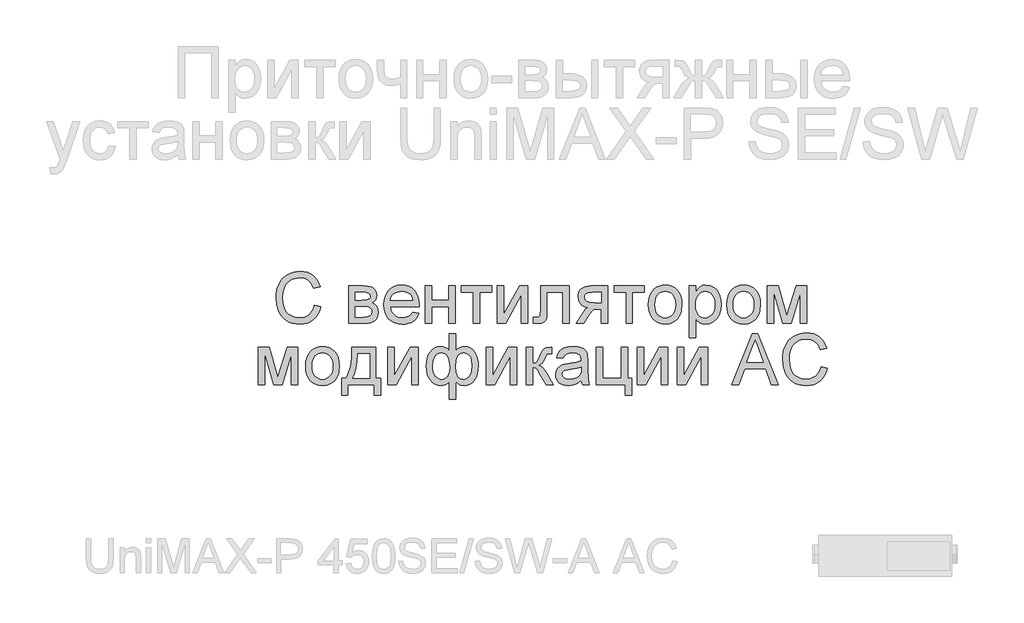
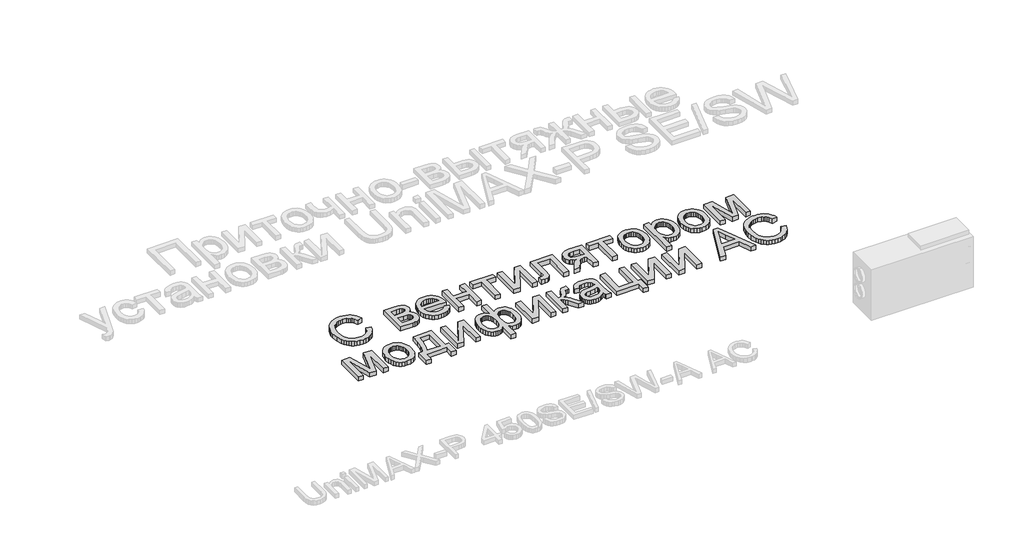
# One storey, part 25 of 74: 1 proxy.
"""IFC4 building model written with IfcOpenShell, lengths in millimetres."""

import ifcopenshell
import ifcopenshell.guid

model = None  # the IFC model being written
_history = None  # IfcOwnerHistory: only IFC2X3 demands one
_inside = {}  # id of a spatial element -> (the spatial element, [elements in it])
_under = {}  # id of a project, library or spatial element -> (it, [spatial elements below it])
_declared = {}  # id of a project -> (the project, [libraries it declares])
_typed = {}  # id of a type object -> (the type object, [elements of that type])
_made_of = {}  # id of a material, layer set ... -> (it, [elements and type objects made of it])


def new_model(schema):
    """Start an empty IFC model of exactly this schema.

    Asked for "IFC4X3", IfcOpenShell would pick the latest addendum, in which some entities
    have other attributes; the version numbers below select the first issue.
    IFC2X3 requires an IfcOwnerHistory on every rooted entity: one is made here for all.
    """
    global model, _history
    if schema == "IFC4X3":
        model = ifcopenshell.file(schema_version=(4, 3, 0, 0))
    else:
        model = ifcopenshell.file(schema=schema)
    _inside.clear()
    _under.clear()
    _declared.clear()
    _typed.clear()
    _made_of.clear()
    _history = None
    if model.schema == "IFC2X3":
        org = make("IfcOrganization", Name="unknown")
        user = make(
            "IfcPersonAndOrganization",
            ThePerson=make("IfcPerson", FamilyName="unknown"),
            TheOrganization=org,
        )
        app = make(
            "IfcApplication",
            ApplicationDeveloper=org,
            Version="unknown",
            ApplicationFullName="unknown",
            ApplicationIdentifier="unknown",
        )
        _history = make(
            "IfcOwnerHistory",
            OwningUser=user,
            OwningApplication=app,
            ChangeAction="ADDED",
            CreationDate=0,
        )
    return model


def make(cls, **values):
    """One entity of the class cls with the attributes given. An attribute that is None is left unset."""
    return model.create_entity(
        cls, **{name: value for name, value in values.items() if value is not None}
    )


def rooted(cls, **values):
    """An entity with a GlobalId (a new one), such as an element, a storey or a relation."""
    return make(cls, GlobalId=ifcopenshell.guid.new(), OwnerHistory=_history, **values)


def si_unit(unit_type, name, prefix=None):
    """IfcSIUnit, for example si_unit("LENGTHUNIT", "METRE", prefix="MILLI")."""
    return make("IfcSIUnit", UnitType=unit_type, Prefix=prefix, Name=name)


def assignment(units):
    """IfcUnitAssignment: the units of a project."""
    return None if units is None else make("IfcUnitAssignment", Units=units)


def point(xyz):
    """IfcCartesianPoint."""
    return None if xyz is None else make("IfcCartesianPoint", Coordinates=xyz)


def direction(xyz):
    """IfcDirection."""
    return None if xyz is None else make("IfcDirection", DirectionRatios=xyz)


def frame(location, z_axis=None, x_axis=None):
    """IfcAxis2Placement3D, a coordinate frame: its origin and axes. An axis left out is left unset."""
    return make(
        "IfcAxis2Placement3D",
        Location=point(location),
        Axis=direction(z_axis),
        RefDirection=direction(x_axis),
    )


def origin():
    """The frame at (0, 0, 0) with its axes left unset."""
    return frame((0.0, 0.0, 0.0))


def origin_with_axes():
    """The frame at (0, 0, 0) with the z axis (0, 0, 1) and the x axis (1, 0, 0) written out."""
    return frame((0.0, 0.0, 0.0), z_axis=(0.0, 0.0, 1.0), x_axis=(1.0, 0.0, 0.0))


def place(relative_to, where):
    """IfcLocalPlacement: puts the frame where relative to a parent placement (None: the world)."""
    return make(
        "IfcLocalPlacement", PlacementRelTo=relative_to, RelativePlacement=where
    )


def context(
    kind, dimensions, precision=None, world=None, true_north=None, identifier=None
):
    """IfcGeometricRepresentationContext, for example the 3D "Model" context."""
    return make(
        "IfcGeometricRepresentationContext",
        ContextIdentifier=identifier,
        ContextType=kind,
        CoordinateSpaceDimension=dimensions,
        Precision=precision,
        WorldCoordinateSystem=world,
        TrueNorth=true_north,
    )


def project(units=None, contexts=None):
    """IfcProject with its units and contexts."""
    return rooted(
        "IfcProject",
        Name="project",
        RepresentationContexts=contexts,
        UnitsInContext=assignment(units),
    )


def spatial(cls, under=None, at=None, **own):
    """A site, building, storey or space (cls), placed at a placement, below another one or the project."""
    s = rooted(cls, ObjectPlacement=at, **own)
    if under is not None:
        _under.setdefault(under.id(), (under, []))[1].append(s)
    return s


def polyline(points):
    """IfcPolyline through the points."""
    return make("IfcPolyline", Points=[point(p) for p in points])


def outline(outer, holes=None, kind="AREA"):
    """IfcArbitraryClosedProfileDef: a profile drawn as a closed curve; with holes, ...WithVoids."""
    if holes is None:
        return make("IfcArbitraryClosedProfileDef", ProfileType=kind, OuterCurve=outer)
    return make(
        "IfcArbitraryProfileDefWithVoids",
        ProfileType=kind,
        OuterCurve=outer,
        InnerCurves=holes,
    )


def extrude(swept, where, along, depth):
    """IfcExtrudedAreaSolid: the profile swept, set in the frame where, extruded along a direction by depth."""
    return make(
        "IfcExtrudedAreaSolid",
        SweptArea=swept,
        Position=where,
        ExtrudedDirection=direction(along),
        Depth=depth,
    )


def shape(context_of_items, identifier, shape_type, items):
    """IfcShapeRepresentation: the items that make up one representation, for example the "Body"."""
    return make(
        "IfcShapeRepresentation",
        ContextOfItems=context_of_items,
        RepresentationIdentifier=identifier,
        RepresentationType=shape_type,
        Items=items,
    )


def made_of(thing, what):
    """Note that an element or type object is made of a material, layer set ...; save() writes the relation."""
    if what is not None:
        _made_of.setdefault(what.id(), (what, []))[1].append(thing)
    return thing


def element(
    cls,
    number,
    at=None,
    inside=None,
    cuts=None,
    type_object=None,
    material=None,
    context=None,
    identifier="Body",
    shape_type=None,
    held_by="IfcProductDefinitionShape",
    body=None,
    shapes=None,
    **own,
):
    """One element of the class cls, such as IfcWall. Its Tag is "e" and its number.

    at: its placement. inside: the storey or other place that contains it. cuts: it is an
    opening in that element (IfcRelVoidsElement). A single representation is given by context,
    identifier, shape_type and body (its items); several are given by shapes. held_by: the class
    of the entity that holds the representations. save() writes the other relations.
    """
    e = rooted(cls, Tag="e%d" % number, ObjectPlacement=at, **own)
    if body is not None:
        shapes = [shape(context, identifier, shape_type, body)]
    if shapes is not None:
        e.Representation = make(held_by, Representations=shapes)
    if inside is not None:
        _inside.setdefault(inside.id(), (inside, []))[1].append(e)
    if cuts is not None:
        rooted(
            "IfcRelVoidsElement", RelatingBuildingElement=cuts, RelatedOpeningElement=e
        )
    if type_object is not None:
        _typed.setdefault(type_object.id(), (type_object, []))[1].append(e)
    return made_of(e, material)


def aggregate(whole, parts):
    """IfcRelAggregates: a whole, such as a stair, and the parts it consists of."""
    return rooted("IfcRelAggregates", RelatingObject=whole, RelatedObjects=parts)


def save(model, path):
    """Write the relations noted so far, then the file.

    IfcRelAggregates (storeys below a building ...), IfcRelContainedInSpatialStructure (elements
    in a storey), IfcRelDefinesByType, IfcRelAssociatesMaterial and IfcRelDeclares: one each for
    every whole, place, type object, material and project.
    """
    for whole, parts in _under.values():
        aggregate(whole, parts)
    for where, things in _inside.values():
        rooted(
            "IfcRelContainedInSpatialStructure",
            RelatedElements=things,
            RelatingStructure=where,
        )
    for kind, things in _typed.values():
        rooted("IfcRelDefinesByType", RelatedObjects=things, RelatingType=kind)
    for what, things in _made_of.values():
        rooted("IfcRelAssociatesMaterial", RelatedObjects=things, RelatingMaterial=what)
    for by, libraries in _declared.values():
        rooted("IfcRelDeclares", RelatingContext=by, RelatedDefinitions=libraries)
    model.write(path)


model = new_model("IFC4")

# Units and contexts
model_context = context("Model", 3, world=origin())
ifc_project = project(units=[si_unit("LENGTHUNIT", "METRE", prefix="MILLI")], contexts=[model_context])

# Site, building, storey
site = spatial("IfcSite", under=ifc_project)
building = spatial("IfcBuilding", under=site)
storey = spatial("IfcBuildingStorey", under=building, Elevation=0.0)

# Proxy
placement = place(None, origin())
element("IfcBuildingElementProxy", 1, Name="Generic Models", at=placement, inside=storey, context=model_context, shape_type="SweptSolid", body=[
    extrude(outline(polyline([(24942.8608053, -25678.9298031), (24999.0678231, -25693.4206749), (24987.9458046, -25728.3751002), (24973.132456, -25758.9177687), (24954.6277774, -25785.0486803), (24932.4317688, -25806.7678349), (24907.0452983, -25823.8419516), (24878.9692342, -25836.0377492), (24848.2035765, -25843.3552278), (24814.7483252, -25845.7943874), (24780.4731594, -25843.9487223), (24749.5531245, -25838.4117273), (24721.9882204, -25829.1834022), (24697.7784472, -25816.2637471), (24676.5910362, -25799.8448758), (24658.0932188, -25780.1189021), (24642.284995, -25757.0858261), (24629.1663648, -25730.7456477), (24611.5056148, -25672.699826), (24605.6186982, -25610.5372794), (24607.2825412, -25576.6360495), (24612.2740702, -25544.9715735), (24620.5932852, -25515.5438514), (24632.2401861, -25488.3528832), (24646.9540472, -25463.848078), (24664.4741424, -25442.4788449), (24684.8004718, -25424.2451841), (24707.9330354, -25409.1470953), (24733.0862248, -25397.3080805), (24759.4744316, -25388.8516414), (24787.097656, -25383.7777779), (24815.9558978, -25382.0864901), (24848.104089, -25384.2752155), (24877.5832702, -25390.8413918), (24904.3934413, -25401.7850189), (24928.5346025, -25417.1060969), (24949.6088036, -25436.3998145), (24967.2180945, -25459.2613603), (24981.3624753, -25485.6907344), (24992.0419459, -25515.6879368), (24935.8349281, -25529.0810153), (24916.3490967, -25488.0921573), (24903.9303098, -25472.4245883), (24889.7276087, -25459.9749259), (24873.658659, -25450.4893056), (24855.6411262, -25443.7138624), (24813.7603112, -25438.2935079), (24788.5453709, -25439.7961125), (24765.48485, -25444.3039263), (24744.5787485, -25451.8169494), (24725.8270664, -25462.3351816), (24709.4665154, -25475.3851996), (24695.7338071, -25490.4935802), (24684.6289416, -25507.6603232), (24676.1519188, -25526.8854286), (24665.4072667, -25568.0252332), (24661.825716, -25610.4275001), (24666.0659427, -25662.353124), (24678.7866228, -25707.2528707), (24688.447204, -25726.6392146), (24700.4680408, -25743.4114381), (24714.8491333, -25757.5695413), (24731.5904814, -25769.1135241), (24768.9017317, -25784.4689082), (24809.1495792, -25789.5873695), (24833.5857724, -25787.8446226), (24856.0665211, -25782.6163819), (24876.5918256, -25773.9026475), (24895.1616857, -25761.7034192), (24911.3369841, -25746.0735869), (24924.6786035, -25727.0680401), (24935.1865439, -25704.6867788), (24942.8608053, -25678.9298031)])), origin_with_axes(), (0.0, 0.0, 1.0), 50.0),
    extrude(outline(polyline([(25244.9735263, -25508.5522802), (25368.8046125, -25508.5522802), (25408.6133426, -25510.4322513), (25436.7031291, -25516.0721645), (25457.3690883, -25526.7207596), (25474.9063366, -25543.6267767), (25486.8860062, -25565.6512552), (25490.8792294, -25591.6552344), (25488.4640841, -25612.6093643), (25481.2186482, -25630.6817868), (25469.1154768, -25645.9548363), (25452.1271252, -25658.5108474), (25472.9303086, -25670.1886238), (25489.8912154, -25688.974612), (25501.1710417, -25713.3867909), (25504.9309838, -25741.9431395), (25501.8091341, -25764.9487707), (25495.4076268, -25784.7845237), (25485.726462, -25801.4503985), (25472.7656396, -25814.9463951), (25456.5045761, -25825.3685704), (25436.9226878, -25832.8129814), (25414.0199747, -25837.2796279), (25387.7964368, -25838.7685101), (25244.9735263, -25838.7685101), (25244.9735263, -25508.5522802)]), holes=[polyline([(25301.1805441, -25635.0180704), (25356.728886, -25635.0180704), (25402.561757, -25632.1638078), (25424.8469613, -25620.7467573), (25432.215899, -25611.3057348), (25434.6722115, -25600.1082429), (25430.3633727, -25583.33945), (25417.4368564, -25572.5536306), (25394.0813036, -25566.7078812), (25358.4853553, -25564.7592981), (25301.1805441, -25564.7592981), (25301.1805441, -25635.0180704)]), polyline([(25301.1805441, -25782.5614923), (25370.1219644, -25782.5614923), (25407.6939407, -25780.0228452), (25431.2690522, -25772.4069041), (25443.9211202, -25758.5609859), (25448.723966, -25737.3324076), (25446.3225431, -25723.2669307), (25439.1182744, -25710.2718023), (25428.0580068, -25700.1034917), (25414.0885868, -25694.5184682), (25364.6329978, -25691.2250883), (25301.1805441, -25691.2250883), (25301.1805441, -25782.5614923)])]), origin_with_axes(), (0.0, 0.0, 1.0), 50.0),
    extrude(outline(polyline([(25806.3850288, -25740.4062289), (25861.4942533, -25747.4321061), (25853.0446754, -25769.504613), (25841.6379167, -25788.9561383), (25827.2739772, -25805.7866821), (25809.9528571, -25819.9962444), (25789.8529475, -25831.2829319), (25767.1526401, -25839.3448516), (25741.8519347, -25844.1820034), (25713.9508315, -25845.7943874), (25679.07531, -25843.0121674), (25648.0008979, -25834.6655076), (25620.7275952, -25820.7544079), (25597.2554018, -25801.2788683), (25578.380218, -25776.7809243), (25564.8979438, -25747.8026114), (25556.8085793, -25714.3439294), (25554.1121244, -25676.4048785), (25556.8360241, -25637.179351), (25565.0077231, -25602.6057227), (25578.6272215, -25572.6839936), (25597.6945191, -25547.4141637), (25621.1049616, -25527.3382684), (25647.7538944, -25512.9983432), (25677.6413175, -25504.394388), (25710.7672308, -25501.526403), (25742.8262263, -25504.3875268), (25771.8182617, -25512.9708983), (25797.743337, -25527.2765175), (25820.6014522, -25547.3043843), (25839.260508, -25572.5193246), (25852.588405, -25602.386164), (25860.5851432, -25636.9049027), (25863.2507226, -25676.0755405), (25862.9213846, -25691.2250883), (25610.3191423, -25691.2250883), (25613.5747856, -25713.654378), (25620.0483356, -25733.2980171), (25629.7397922, -25750.1560058), (25642.6491555, -25764.2283439), (25658.0628598, -25775.3229176), (25675.2673394, -25783.2476131), (25694.2625944, -25788.0024304), (25715.0486248, -25789.5873695), (25744.9634927, -25786.6507724), (25770.1578493, -25777.840981), (25790.6316947, -25762.6090987), (25806.3850288, -25740.4062289)]), holes=[polyline([(25610.3191423, -25635.0180704), (25807.0437048, -25635.0180704), (25799.441486, -25605.3227612), (25784.5389418, -25584.0804605), (25769.2110026, -25572.5536306), (25751.7698112, -25564.3201808), (25732.2153678, -25559.3801108), (25710.5476722, -25557.7334209), (25672.6600803, -25562.9891064), (25641.3318035, -25578.7561629), (25628.87528, -25590.1560604), (25619.5543286, -25603.3330108), (25613.3689493, -25618.2870141), (25610.3191423, -25635.0180704)])]), origin_with_axes(), (0.0, 0.0, 1.0), 50.0),
    extrude(outline(polyline([(25919.4577405, -25508.5522802), (25975.6647583, -25508.5522802), (25975.6647583, -25635.0180704), (26123.2081802, -25635.0180704), (26123.2081802, -25508.5522802), (26179.415198, -25508.5522802), (26179.415198, -25838.7685101), (26123.2081802, -25838.7685101), (26123.2081802, -25691.2250883), (25975.6647583, -25691.2250883), (25975.6647583, -25838.7685101), (25919.4577405, -25838.7685101), (25919.4577405, -25508.5522802)])), origin_with_axes(), (0.0, 0.0, 1.0), 50.0),
    extrude(outline(polyline([(26235.6222159, -25508.5522802), (26502.6055507, -25508.5522802), (26502.6055507, -25564.7592981), (26397.2173922, -25564.7592981), (26397.2173922, -25838.7685101), (26341.0103744, -25838.7685101), (26341.0103744, -25564.7592981), (26235.6222159, -25564.7592981), (26235.6222159, -25508.5522802)])), origin_with_axes(), (0.0, 0.0, 1.0), 50.0),
    extrude(outline(polyline([(26551.7866913, -25508.5522802), (26607.9937092, -25508.5522802), (26607.9937092, -25760.3860673), (26746.0961085, -25508.5522802), (26818.7700261, -25508.5522802), (26818.7700261, -25838.7685101), (26762.5630083, -25838.7685101), (26762.5630083, -25588.4716337), (26625.3388436, -25838.7685101), (26551.7866913, -25838.7685101), (26551.7866913, -25508.5522802)])), origin_with_axes(), (0.0, 0.0, 1.0), 50.0),
    extrude(outline(polyline([(26931.1840618, -25508.5522802), (27184.1156422, -25508.5522802), (27184.1156422, -25838.4391721), (27127.9086243, -25838.4391721), (27127.9086243, -25564.7592981), (26987.3910797, -25564.7592981), (26987.3910797, -25722.2926391), (26983.6036927, -25794.9665568), (26976.5092034, -25811.4197341), (26962.8005094, -25825.64988), (26941.997326, -25835.4888526), (26913.6193687, -25838.7685101), (26867.9511667, -25835.9142475), (26867.9511667, -25782.5614923), (26893.0906337, -25782.5614923), (26918.504549, -25779.1034433), (26924.8580278, -25774.6299356), (26928.6591372, -25768.1255101), (26931.1840618, -25719.1090385), (26931.1840618, -25508.5522802)])), origin_with_axes(), (0.0, 0.0, 1.0), 50.0),
    extrude(outline(polyline([(27521.3577493, -25508.5522802), (27521.3577493, -25838.7685101), (27465.1507314, -25838.7685101), (27465.1507314, -25712.30272), (27434.5222979, -25712.30272), (27410.0963965, -25714.0866341), (27392.8061518, -25719.4383765), (27376.1471382, -25734.9995968), (27353.6149304, -25767.4119445), (27308.824963, -25838.7685101), (27243.8355986, -25838.7685101), (27300.2621751, -25748.5298994), (27325.1820834, -25716.1449966), (27336.9010271, -25706.703974), (27348.1259638, -25701.7639041), (27327.4874494, -25697.2012006), (27309.7031977, -25689.9900708), (27294.7732085, -25680.1305145), (27282.6974821, -25667.6225319), (27266.7245893, -25637.872333), (27261.4002917, -25603.9505195), (27263.2185119, -25583.7099552), (27268.6731724, -25565.4728637), (27277.7642733, -25549.2392451), (27290.4918146, -25535.0090992), (27306.6636824, -25523.4342409), (27326.0877629, -25515.166485), (27348.7640561, -25510.2058314), (27374.6925621, -25508.5522802), (27521.3577493, -25508.5522802)]), holes=[polyline([(27465.1507314, -25564.7592981), (27391.0496825, -25564.7592981), (27352.777863, -25568.0115108), (27339.847916, -25572.0767767), (27331.0552777, -25577.7681489), (27320.9693016, -25591.8885154), (27317.6073095, -25608.2319135), (27322.5611019, -25629.6526056), (27337.4224789, -25644.5139826), (27364.8810343, -25653.2002722), (27407.6263616, -25656.0957021), (27465.1507314, -25656.0957021), (27465.1507314, -25564.7592981)])]), origin_with_axes(), (0.0, 0.0, 1.0), 50.0),
    extrude(outline(polyline([(27577.5647671, -25508.5522802), (27844.5481019, -25508.5522802), (27844.5481019, -25564.7592981), (27739.1599434, -25564.7592981), (27739.1599434, -25838.7685101), (27682.9529256, -25838.7685101), (27682.9529256, -25564.7592981), (27577.5647671, -25564.7592981), (27577.5647671, -25508.5522802)])), origin_with_axes(), (0.0, 0.0, 1.0), 50.0),
    extrude(outline(polyline([(27879.6774881, -25673.6603952), (27882.7170033, -25630.8944843), (27891.8355491, -25594.0429348), (27907.0331253, -25563.1057469), (27928.309732, -25538.0829205), (27949.7304241, -25522.0894441), (27973.3741477, -25510.6655324), (27999.2409028, -25503.8111853), (28027.3306893, -25501.526403), (28058.3399199, -25504.3086229), (28086.3782473, -25512.6552828), (28111.4456716, -25526.5663825), (28133.5421927, -25546.041922), (28151.5768786, -25570.4232255), (28164.458797, -25599.0516168), (28172.1879481, -25631.9270961), (28174.7643318, -25669.0496632), (28170.2084895, -25725.8330226), (28164.5136867, -25749.140547), (28156.5409627, -25769.0586345), (28134.1597015, -25801.4298149), (28103.4626558, -25825.64988), (28067.0021953, -25840.7582605), (28027.3306893, -25845.7943874), (27995.8686189, -25843.0224592), (27967.5695655, -25834.7066748), (27942.4335292, -25820.8470342), (27920.4605098, -25801.4435373), (27902.6179378, -25776.8255222), (27889.8732435, -25747.3223268), (27882.2264269, -25712.9339511), (27879.6774881, -25673.6603952)]), holes=[polyline([(27935.8845059, -25673.5506158), (27937.5106123, -25700.8136268), (27942.3889313, -25724.4196137), (27950.5194631, -25744.3685766), (27961.9022075, -25760.6605156), (27975.7481258, -25773.3160142), (27991.2681788, -25782.355656), (28008.4623666, -25787.7794411), (28027.3306893, -25789.5873695), (28046.102955, -25787.7691493), (28063.2285307, -25782.3144888), (28078.7074165, -25773.2233879), (28092.5396123, -25760.4958466), (28103.9223568, -25744.0426692), (28112.0528885, -25723.7746601), (28116.9312076, -25699.6918192), (28118.5573139, -25671.7941465), (28116.9209158, -25645.3956479), (28112.0117213, -25622.4071697), (28103.8297305, -25602.828712), (28092.3749433, -25586.6602748), (28078.4912885, -25574.0047762), (28063.0226945, -25564.9651343), (28045.9691614, -25559.5413492), (28027.3306893, -25557.7334209), (28008.4623666, -25559.534488), (27991.2681788, -25564.9376895), (27975.7481258, -25573.9430253), (27961.9022075, -25586.5504954), (27950.5194631, -25602.7944059), (27942.3889313, -25622.7090628), (27937.5106123, -25646.2944661), (27935.8845059, -25673.5506158)])]), origin_with_axes(), (0.0, 0.0, 1.0), 50.0),
    extrude(outline(polyline([(28237.9972269, -25965.2343003), (28237.9972269, -25508.5522802), (28294.2042447, -25508.5522802), (28294.2042447, -25563.6615048), (28312.5373931, -25536.4773978), (28333.0661282, -25517.0601784), (28356.9980225, -25505.4098469), (28385.5406487, -25501.526403), (28423.5517424, -25506.9604799), (28456.787435, -25523.2627107), (28483.8480403, -25549.4450813), (28503.3338717, -25584.5195778), (28515.107705, -25625.9338307), (28519.0323161, -25671.1354705), (28514.5999756, -25719.2050954), (28501.3029541, -25762.1974262), (28479.5666464, -25797.9305987), (28449.8164475, -25824.2227487), (28415.1673459, -25840.4014777), (28378.7343302, -25845.7943874), (28352.89502, -25842.1853918), (28329.8276379, -25831.3584052), (28310.0810806, -25815.0150072), (28294.2042447, -25794.8567774), (28294.2042447, -25965.2343003), (28237.9972269, -25965.2343003)]), holes=[polyline([(28294.2042447, -25676.2950991), (28295.7240024, -25703.3831492), (28300.2832752, -25726.6838124), (28307.8820633, -25746.1970886), (28318.5203667, -25761.9229779), (28331.3268119, -25774.0261492), (28345.4300254, -25782.6712716), (28360.8300073, -25787.858345), (28377.5267575, -25789.5873695), (28394.46365, -25787.7965942), (28410.1449415, -25782.4242681), (28424.5706318, -25773.4703914), (28437.740721, -25760.9349639), (28448.7152236, -25744.6395944), (28456.554154, -25724.4058913), (28461.2575122, -25700.2338547), (28462.8252983, -25672.1234845), (28461.2952489, -25645.2687155), (28456.7051005, -25622.0092196), (28449.0548534, -25602.3449968), (28438.3445073, -25586.2760471), (28425.5071867, -25573.7886481), (28411.4760159, -25564.8690774), (28396.2509948, -25559.517335), (28379.8321235, -25557.7334209), (28363.4647112, -25559.6305449), (28348.0647294, -25565.3219172), (28333.6321778, -25574.8075376), (28320.1670567, -25588.0874061), (28308.8083265, -25604.9831314), (28300.6949477, -25625.316322), (28295.8269205, -25649.0869779), (28294.2042447, -25676.2950991)])]), origin_with_axes(), (0.0, 0.0, 1.0), 50.0),
    extrude(outline(polyline([(28568.2134568, -25673.6603952), (28571.252972, -25630.8944843), (28580.3715178, -25594.0429348), (28595.569094, -25563.1057469), (28616.8457007, -25538.0829205), (28638.2663928, -25522.0894441), (28661.9101164, -25510.6655324), (28687.7768714, -25503.8111853), (28715.866658, -25501.526403), (28746.8758886, -25504.3086229), (28774.914216, -25512.6552828), (28799.9816403, -25526.5663825), (28822.0781614, -25546.041922), (28840.1128473, -25570.4232255), (28852.9947657, -25599.0516168), (28860.7239168, -25631.9270961), (28863.3003005, -25669.0496632), (28858.7444582, -25725.8330226), (28853.0496554, -25749.140547), (28845.0769314, -25769.0586345), (28822.6956702, -25801.4298149), (28791.9986245, -25825.64988), (28755.538164, -25840.7582605), (28715.866658, -25845.7943874), (28684.4045876, -25843.0224592), (28656.1055342, -25834.7066748), (28630.9694979, -25820.8470342), (28608.9964785, -25801.4435373), (28591.1539065, -25776.8255222), (28578.4092122, -25747.3223268), (28570.7623956, -25712.9339511), (28568.2134568, -25673.6603952)]), holes=[polyline([(28624.4204746, -25673.5506158), (28626.046581, -25700.8136268), (28630.9249, -25724.4196137), (28639.0554318, -25744.3685766), (28650.4381762, -25760.6605156), (28664.2840945, -25773.3160142), (28679.8041475, -25782.355656), (28696.9983353, -25787.7794411), (28715.866658, -25789.5873695), (28734.6389237, -25787.7691493), (28751.7644994, -25782.3144888), (28767.2433852, -25773.2233879), (28781.075581, -25760.4958466), (28792.4583255, -25744.0426692), (28800.5888572, -25723.7746601), (28805.4671763, -25699.6918192), (28807.0932826, -25671.7941465), (28805.4568845, -25645.3956479), (28800.54769, -25622.4071697), (28792.3656992, -25602.828712), (28780.910912, -25586.6602748), (28767.0272572, -25574.0047762), (28751.5586632, -25564.9651343), (28734.5051301, -25559.5413492), (28715.866658, -25557.7334209), (28696.9983353, -25559.534488), (28679.8041475, -25564.9376895), (28664.2840945, -25573.9430253), (28650.4381762, -25586.5504954), (28639.0554318, -25602.7944059), (28630.9249, -25622.7090628), (28626.046581, -25646.2944661), (28624.4204746, -25673.5506158)])]), origin_with_axes(), (0.0, 0.0, 1.0), 50.0),
    extrude(outline(polyline([(28926.5331956, -25508.5522802), (29023.2487868, -25508.5522802), (29097.7889531, -25772.9009111), (29178.1474239, -25508.5522802), (29270.8011799, -25508.5522802), (29270.8011799, -25838.7685101), (29214.5941621, -25838.7685101), (29214.5941621, -25572.8829686), (29133.7965739, -25838.7685101), (29060.024863, -25838.7685101), (28982.7402134, -25560.1485662), (28982.7402134, -25838.7685101), (28926.5331956, -25838.7685101), (28926.5331956, -25508.5522802)])), origin_with_axes(), (0.0, 0.0, 1.0), 50.0),
    extrude(outline(polyline([(24451.0493991, -26048.9843634), (24547.7649904, -26048.9843634), (24622.3051566, -26313.3329943), (24702.6636274, -26048.9843634), (24795.3173834, -26048.9843634), (24795.3173834, -26379.2005933), (24739.1103656, -26379.2005933), (24739.1103656, -26113.3150518), (24658.3127774, -26379.2005933), (24584.5410665, -26379.2005933), (24507.2564169, -26100.5806493), (24507.2564169, -26379.2005933), (24451.0493991, -26379.2005933), (24451.0493991, -26048.9843634)])), origin_with_axes(), (0.0, 0.0, 1.0), 50.0),
    extrude(outline(polyline([(24865.5761557, -26214.0924784), (24868.615671, -26171.3265674), (24877.7342167, -26134.475018), (24892.931793, -26103.5378301), (24914.2083997, -26078.5150037), (24935.6290918, -26062.5215273), (24959.2728154, -26051.0976156), (24985.1395704, -26044.2432685), (25013.2293569, -26041.9584862), (25044.2385876, -26044.7407061), (25072.276915, -26053.0873659), (25097.3443393, -26066.9984656), (25119.4408604, -26086.4740052), (25137.4755462, -26110.8553087), (25150.3574647, -26139.4837), (25158.0866158, -26172.3591793), (25160.6629995, -26209.4817464), (25156.1071572, -26266.2651058), (25150.4123544, -26289.5726301), (25142.4396304, -26309.4907176), (25120.0583691, -26341.8618981), (25089.3613235, -26366.0819632), (25052.900863, -26381.1903437), (25013.2293569, -26386.2264705), (24981.7672866, -26383.4545424), (24953.4682332, -26375.138758), (24928.3321969, -26361.2791174), (24906.3591775, -26341.8756205), (24888.5166055, -26317.2576054), (24875.7719112, -26287.75441), (24868.1250946, -26253.3660343), (24865.5761557, -26214.0924784)]), holes=[polyline([(24921.7831736, -26213.982699), (24923.40928, -26241.2457099), (24928.287599, -26264.8516969), (24936.4181308, -26284.8006598), (24947.8008752, -26301.0925988), (24961.6467934, -26313.7480974), (24977.1668465, -26322.7877392), (24994.3610343, -26328.2115243), (25013.2293569, -26330.0194527), (25032.0016227, -26328.2012325), (25049.1271984, -26322.746572), (25064.6060842, -26313.655471), (25078.43828, -26300.9279298), (25089.8210245, -26284.4747524), (25097.9515562, -26264.2067433), (25102.8298753, -26240.1239024), (25104.4559816, -26212.2262297), (25102.8195835, -26185.827731), (25097.910389, -26162.8392529), (25089.7283981, -26143.2607952), (25078.273611, -26127.092358), (25064.3899561, -26114.4368594), (25048.9213622, -26105.3972175), (25031.8678291, -26099.9734324), (25013.2293569, -26098.165504), (24994.3610343, -26099.9665712), (24977.1668465, -26105.3697727), (24961.6467934, -26114.3751085), (24947.8008752, -26126.9825786), (24936.4181308, -26143.2264891), (24928.287599, -26163.141146), (24923.40928, -26186.7265493), (24921.7831736, -26213.982699)])]), origin_with_axes(), (0.0, 0.0, 1.0), 50.0),
    extrude(outline(polyline([(25273.0770352, -26048.9843634), (25483.8533521, -26048.9843634), (25483.8533521, -26322.9935754), (25526.0086155, -26322.9935754), (25526.0086155, -26470.5369973), (25469.8015977, -26470.5369973), (25469.8015977, -26379.2005933), (25237.947649, -26379.2005933), (25237.947649, -26470.5369973), (25181.7406312, -26470.5369973), (25181.7406312, -26322.9935754), (25216.8700173, -26322.9935754), (25230.5958644, -26301.7821502), (25242.4074344, -26276.8450889), (25260.287743, -26215.794058), (25270.5109433, -26139.8404829), (25273.0770352, -26048.9843634)]), holes=[polyline([(25322.2581758, -26105.1913813), (25317.6474439, -26174.0092999), (25309.084656, -26233.2489717), (25296.5698122, -26282.9103969), (25280.1029124, -26322.9935754), (25427.6463343, -26322.9935754), (25427.6463343, -26105.1913813), (25322.2581758, -26105.1913813)])]), origin_with_axes(), (0.0, 0.0, 1.0), 50.0),
    extrude(outline(polyline([(25589.2415106, -26048.9843634), (25645.4485284, -26048.9843634), (25645.4485284, -26300.8181504), (25783.5509278, -26048.9843634), (25856.2248454, -26048.9843634), (25856.2248454, -26379.2005933), (25800.0178275, -26379.2005933), (25800.0178275, -26128.9037169), (25662.7936629, -26379.2005933), (25589.2415106, -26379.2005933), (25589.2415106, -26048.9843634)])), origin_with_axes(), (0.0, 0.0, 1.0), 50.0),
    extrude(outline(polyline([(26130.2340574, -25929.5444505), (26186.4410753, -25929.5444505), (26186.4410753, -26080.7105903), (26203.4980389, -26063.6536266), (26222.1742478, -26051.5641777), (26242.3873672, -26044.3599091), (26264.0550628, -26041.9584862), (26290.076195, -26045.0117238), (26313.2499259, -26054.1714368), (26333.5762552, -26069.4376252), (26351.0551832, -26090.8102888), (26365.1035071, -26116.814268), (26375.1380241, -26145.974403), (26381.1587343, -26178.2906938), (26383.1656378, -26213.7631404), (26381.0043572, -26250.5495083), (26374.5205154, -26283.6239626), (26363.7141124, -26312.9865032), (26348.5851483, -26338.6371302), (26330.2451386, -26359.4574666), (26309.8055993, -26374.3291355), (26287.2665303, -26383.2521368), (26262.6279315, -26386.2264705), (26228.2670007, -26380.7375039), (26209.0830624, -26370.5005813), (26186.4410753, -26350.7677464), (26186.4410753, -26505.6663835), (26130.2340574, -26505.6663835), (26130.2340574, -26350.7677464), (26113.1359265, -26366.2466322), (26094.3362159, -26377.3343447), (26073.8898154, -26384.0034391), (26051.8516146, -26386.2264705), (26027.5080477, -26383.3859303), (26004.7562812, -26374.8643097), (25983.596315, -26360.6616087), (25964.0281492, -26340.7778272), (25947.6024167, -26315.6040542), (25935.8697506, -26285.5313785), (25928.8301509, -26250.5598001), (25926.4836177, -26210.6893191), (25928.6071617, -26176.2940822), (25934.9777935, -26144.7942752), (25945.5955132, -26116.1898981), (25960.4603209, -26090.4809508), (25978.9135404, -26069.2523725), (26000.2964959, -26054.0891023), (26024.6091873, -26044.9911402), (26051.8516146, -26041.9584862), (26074.7543276, -26044.3599091), (26095.3791196, -26051.5641777), (26113.8357697, -26063.6536266), (26130.2340574, -26080.7105903), (26130.2340574, -25929.5444505)]), holes=[polyline([(26186.1117373, -26215.0804923), (26190.7910813, -26271.9873534), (26196.6402613, -26292.0735405), (26204.8291133, -26306.5815654), (26225.9204675, -26324.1599808), (26251.7597777, -26330.0194527), (26266.7755319, -26328.2183855), (26280.6454643, -26322.815184), (26293.369575, -26313.8098482), (26304.9478639, -26301.2023781), (26314.5775696, -26284.8006598), (26321.4559309, -26264.4125795), (26326.9586199, -26211.6773331), (26321.8813258, -26161.6728475), (26315.5347082, -26142.1458488), (26306.6494435, -26126.269013), (26295.7744285, -26113.9737278), (26283.4585597, -26105.1913813), (26269.7018372, -26099.9219733), (26254.504261, -26098.165504), (26238.54166, -26099.994016), (26224.68545, -26105.479552), (26212.9356309, -26114.622112), (26203.2922027, -26127.4216959), (26195.7757491, -26143.8714427), (26190.4068536, -26163.964491), (26186.1117373, -26215.0804923)]), polyline([(25982.6906356, -26209.4817464), (25984.0971832, -26239.2936962), (25988.3168263, -26264.6184158), (25995.3495648, -26285.4559052), (26005.1953986, -26301.8061644), (26017.1270397, -26314.149478), (26030.4172, -26322.9661306), (26045.0658796, -26328.2561222), (26061.0730784, -26330.0194527), (26077.4267682, -26328.266414), (26091.5780102, -26323.0072979), (26103.5268044, -26314.2421043), (26113.2731507, -26301.9708334), (26120.8376327, -26286.1934851), (26126.2408342, -26266.9100593), (26130.5633954, -26217.8249756), (26126.0212756, -26165.4739568), (26120.3436258, -26144.9074851), (26112.394916, -26128.0803719), (26102.1545627, -26114.9926172), (26089.6019823, -26105.644221), (26074.7371746, -26100.0351833), (26057.5601398, -26098.165504), (26041.751916, -26099.9905854), (26027.4806029, -26105.4658296), (26014.7462004, -26114.5912365), (26003.5487086, -26127.3668063), (25994.4233016, -26143.4494784), (25987.9051538, -26162.4961924), (25982.6906356, -26209.4817464)])]), origin_with_axes(), (0.0, 0.0, 1.0), 50.0),
    extrude(outline(polyline([(26453.4244101, -26048.9843634), (26509.6314279, -26048.9843634), (26509.6314279, -26300.8181504), (26647.7338273, -26048.9843634), (26720.4077449, -26048.9843634), (26720.4077449, -26379.2005933), (26664.200727, -26379.2005933), (26664.200727, -26128.9037169), (26526.9765623, -26379.2005933), (26453.4244101, -26379.2005933), (26453.4244101, -26048.9843634)])), origin_with_axes(), (0.0, 0.0, 1.0), 50.0),
    extrude(outline(polyline([(26804.7182716, -26048.9843634), (26860.9252895, -26048.9843634), (26860.9252895, -26189.501908), (26883.7868353, -26186.9769834), (26898.5796003, -26179.4022095), (26911.6707856, -26159.6419298), (26929.4275925, -26120.5604877), (26943.7400729, -26088.6009798), (26955.0610665, -26069.7875468), (26965.6273271, -26059.5369017), (26977.6756088, -26053.2657574), (27018.7879685, -26048.9843634), (27029.5463431, -26048.9843634), (27029.5463431, -26105.5207193), (27014.3967953, -26105.1913813), (26996.8321022, -26106.6734022), (26986.9519623, -26111.1194652), (26967.6308, -26148.1151), (26955.7609097, -26172.7742824), (26944.9613679, -26188.1296664), (26931.8839051, -26198.3803115), (26913.1802514, -26207.7252771), (26930.991948, -26215.6362502), (26948.6389756, -26229.598809), (26966.1213341, -26249.6129534), (26983.4390237, -26275.6786835), (27043.5980975, -26379.2005933), (26979.7065264, -26379.2005933), (26920.7550253, -26277.8742701), (26904.8370222, -26250.9097217), (26891.1146057, -26235.0054411), (26877.2549651, -26227.2248309), (26860.9252895, -26224.6312942), (26860.9252895, -26379.2005933), (26804.7182716, -26379.2005933), (26804.7182716, -26048.9843634)])), origin_with_axes(), (0.0, 0.0, 1.0), 50.0),
    extrude(outline(polyline([(27289.5038006, -26337.0453299), (27262.6490316, -26360.0715447), (27234.9983624, -26375.138758), (27205.9205619, -26383.4545424), (27174.784399, -26386.2264705), (27149.7581419, -26384.5591969), (27127.8125674, -26379.5573761), (27108.9476753, -26371.2210081), (27093.1634658, -26359.5500929), (27080.700081, -26345.285641), (27071.7976634, -26329.1686629), (27066.4562128, -26311.1991585), (27064.6757292, -26291.3771279), (27067.3653228, -26268.0764647), (27075.4341037, -26246.9164985), (27087.8803355, -26228.8029088), (27103.7022816, -26214.641375), (27122.296156, -26203.9378902), (27143.0581721, -26196.1984473), (27191.690416, -26187.7454387), (27249.1598962, -26178.8533129), (27289.1744626, -26168.4242764), (27289.5038006, -26155.9094325), (27285.6340792, -26130.8248552), (27274.0249148, -26114.4128451), (27248.0621029, -26102.2273393), (27211.8898131, -26098.165504), (27178.4071169, -26100.8688201), (27155.0241192, -26108.9787682), (27139.0786713, -26123.9773694), (27127.9086243, -26147.3466447), (27071.7016064, -26140.3207674), (27081.4582446, -26109.5825545), (27096.0177284, -26085.4311016), (27116.7385773, -26066.960729), (27144.9793104, -26053.2657574), (27179.5186326, -26044.785304), (27219.135249, -26041.9584862), (27257.1326202, -26044.455966), (27287.2533243, -26051.9484054), (27309.9639236, -26063.2145093), (27325.7309801, -26077.0329827), (27336.1874614, -26094.1173912), (27342.9663352, -26115.1813005), (27345.7108185, -26164.3624411), (27345.7108185, -26234.2918754), (27348.5650811, -26331.940591), (27359.7625729, -26379.2005933), (27303.5555551, -26379.2005933), (27294.5536499, -26359.6598722), (27289.5038006, -26337.0453299)]), holes=[polyline([(27289.5038006, -26224.6312942), (27251.7397105, -26233.9899822), (27198.8260726, -26241.8666493), (27150.468277, -26250.9783338), (27137.8848211, -26257.2083109), (27128.5673003, -26265.7985436), (27122.8038854, -26276.090356), (27120.8827471, -26287.425072), (27125.0680841, -26304.1389752), (27137.6240952, -26317.8339469), (27158.2763319, -26326.9730762), (27186.7503461, -26330.0194527), (27216.9396623, -26326.6574606), (27243.61604, -26316.5714845), (27265.2425683, -26301.7101075), (27280.2823368, -26284.0219127), (27286.9514312, -26265.7985436), (27289.1744626, -26240.5492973), (27289.5038006, -26224.6312942)])]), origin_with_axes(), (0.0, 0.0, 1.0), 50.0),
    extrude(outline(polyline([(27422.995468, -26048.9843634), (27479.2024859, -26048.9843634), (27479.2024859, -26322.9935754), (27640.7976622, -26322.9935754), (27640.7976622, -26048.9843634), (27697.0046801, -26048.9843634), (27697.0046801, -26322.9935754), (27732.1340662, -26322.9935754), (27732.1340662, -26470.5369973), (27675.9270484, -26470.5369973), (27675.9270484, -26379.2005933), (27422.995468, -26379.2005933), (27422.995468, -26048.9843634)])), origin_with_axes(), (0.0, 0.0, 1.0), 50.0),
    extrude(outline(polyline([(27781.3152068, -26048.9843634), (27837.5222247, -26048.9843634), (27837.5222247, -26300.8181504), (27975.624624, -26048.9843634), (28048.2985416, -26048.9843634), (28048.2985416, -26379.2005933), (27992.0915238, -26379.2005933), (27992.0915238, -26128.9037169), (27854.8673591, -26379.2005933), (27781.3152068, -26379.2005933), (27781.3152068, -26048.9843634)])), origin_with_axes(), (0.0, 0.0, 1.0), 50.0),
    extrude(outline(polyline([(28132.6090684, -26048.9843634), (28188.8160863, -26048.9843634), (28188.8160863, -26300.8181504), (28326.9184856, -26048.9843634), (28399.5924032, -26048.9843634), (28399.5924032, -26379.2005933), (28343.3853854, -26379.2005933), (28343.3853854, -26128.9037169), (28206.1612207, -26379.2005933), (28132.6090684, -26379.2005933), (28132.6090684, -26048.9843634)])), origin_with_axes(), (0.0, 0.0, 1.0), 50.0),
    extrude(outline(polyline([(28614.2109968, -26379.2005933), (28793.7002042, -25929.5444505), (28841.5639928, -25929.5444505), (29021.0532002, -26379.2005933), (28961.6625817, -26379.2005933), (28910.1760751, -26238.6830487), (28724.9783425, -26238.6830487), (28673.6016152, -26379.2005933), (28614.2109968, -26379.2005933)]), holes=[polyline([(28745.6168569, -26182.4760308), (28889.6473401, -26182.4760308), (28849.1387667, -26071.9282438), (28817.6320985, -25985.7514683), (28789.6383689, -26062.2676626), (28745.6168569, -26182.4760308)])]), origin_with_axes(), (0.0, 0.0, 1.0), 50.0),
    extrude(outline(polyline([(29397.2669701, -26219.3618863), (29453.4739879, -26233.8527581), (29442.3519694, -26268.8071834), (29427.5386208, -26299.3498519), (29409.0339422, -26325.4807634), (29386.8379336, -26347.1999181), (29361.4514631, -26364.2740348), (29333.375399, -26376.4698324), (29302.6097413, -26383.787311), (29269.1544899, -26386.2264705), (29234.8793242, -26384.3808055), (29203.9592893, -26378.8438105), (29176.3943852, -26369.6154854), (29152.184612, -26356.6958303), (29130.9972009, -26340.276959), (29112.4993835, -26320.5509853), (29096.6911598, -26297.5179093), (29083.5725296, -26271.1777309), (29065.9117796, -26213.1319092), (29060.024863, -26150.9693626), (29061.688706, -26117.0681327), (29066.680235, -26085.4036567), (29074.9994499, -26055.9759346), (29086.6463509, -26028.7849664), (29101.360212, -26004.2801612), (29118.8803072, -25982.9109281), (29139.2066366, -25964.6772672), (29162.3392002, -25949.5791785), (29187.4923895, -25937.7401637), (29213.8805964, -25929.2837246), (29241.5038208, -25924.2098611), (29270.3620626, -25922.5185732), (29302.5102538, -25924.7072987), (29331.9894349, -25931.273475), (29358.7996061, -25942.2171021), (29382.9407673, -25957.5381801), (29404.0149684, -25976.8318976), (29421.6242593, -25999.6934435), (29435.7686401, -26026.1228176), (29446.4481107, -26056.12002), (29390.2410928, -26069.5130985), (29370.7552615, -26028.5242405), (29358.3364746, -26012.8566715), (29344.1337735, -26000.4070091), (29328.0648238, -25990.9213887), (29310.047291, -25984.1459456), (29268.166476, -25978.7255911), (29242.9515357, -25980.2281957), (29219.8910148, -25984.7360095), (29198.9849133, -25992.2490325), (29180.2332312, -26002.7672648), (29163.8726802, -26015.8172828), (29150.1399719, -26030.9256633), (29139.0351064, -26048.0924063), (29130.5580836, -26067.3175118), (29119.8134315, -26108.4573164), (29116.2318808, -26150.8595833), (29120.4721075, -26202.7852072), (29133.1927876, -26247.6849539), (29142.8533688, -26267.0712977), (29154.8742056, -26283.8435213), (29169.2552981, -26298.0016245), (29185.9966461, -26309.5456073), (29223.3078965, -26324.9009913), (29263.555744, -26330.0194527), (29287.9919371, -26328.2767058), (29310.4726859, -26323.0484651), (29330.9979904, -26314.3347307), (29349.5678504, -26302.1355024), (29365.7431488, -26286.5056701), (29379.0847683, -26267.5001233), (29389.5927087, -26245.118862), (29397.2669701, -26219.3618863)])), origin_with_axes(), (0.0, 0.0, 1.0), 50.0),
])

save(model, "model.ifc")
